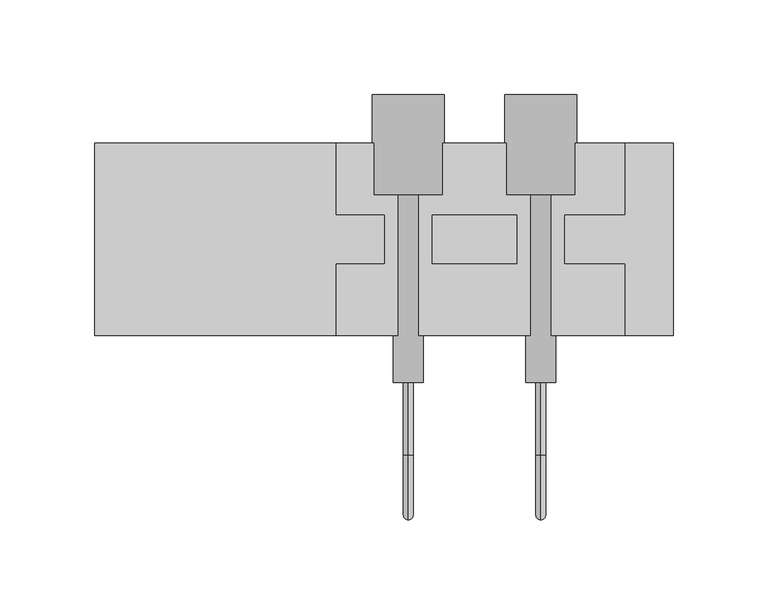
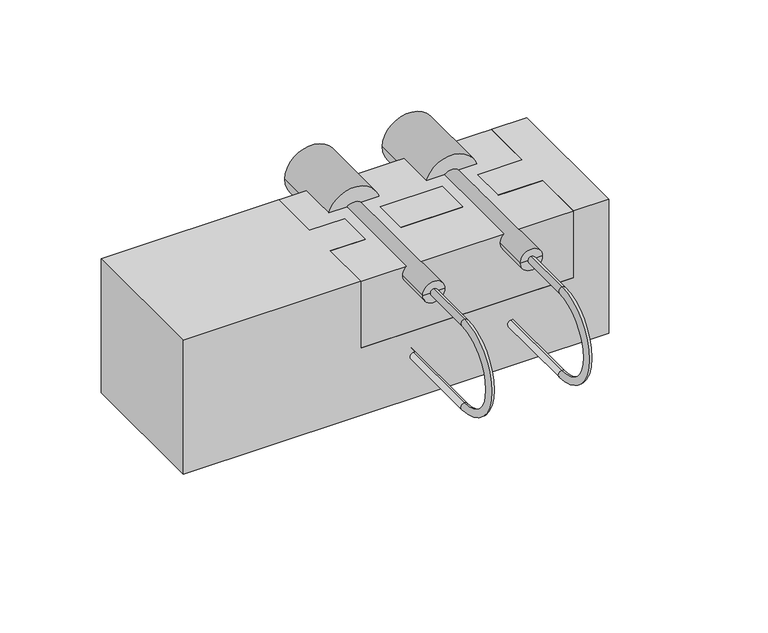
"""IFC4 building model written with IfcOpenShell, lengths in millimetres: proxy geometry."""

from ifc_helpers import new_model, si_unit, point, frame, origin, origin_with_axes, place, context, project, spatial, polyline, circle_curve, ellipse_curve, trimmed, outline, extrude, source, transform, mapped, element, save
from ifc_brep_helpers import plane_surface, cylinder_surface, revolved_surface, advanced_brep


def specialty_equipment_c677bdb2(model_context):
    return source(origin(), model_context, "Body", "SolidModel", [
        advanced_brep(
        [(12.7737194, 127.0, 95.25), (31.8237194, 127.0, 95.25), (-6.2762806, 127.0, 95.25), (4.8466964, -24.7249832, 95.25), (20.7007425, -24.7249832, 95.25), (15.3952666, -24.7249832, 95.25), (12.7737194, -24.7249832, 92.6284528), (10.1521722, -24.7249832, 95.25), (12.7737194, -24.7249832, 97.8715472), (4.8466964, 74.2600179, 95.25), (20.7007425, 74.2600179, 95.25), (-6.2762806, 74.2600179, 95.25), (31.8237194, 74.2600179, 95.25), (12.7737194, -62.8249832, 97.8715472), (12.7737194, -62.8249832, 92.6284528), (12.7737194, -62.8249832, 29.1284528), (12.7737194, -62.8249832, 34.3715472), (12.7737194, 6.35, 29.1284528), (12.7737194, 6.35, 34.3715472)],
        [
            (0, 1),
            (1, 2, circle_curve(frame((12.7737194, 127.0, 95.25), z_axis=(0.0, 1.0, 0.0), x_axis=(1.0, 0.0, 0.0)), 19.05)),
            (2, 0),
            (2, 1, circle_curve(frame((12.7737194, 127.0, 95.25), z_axis=(0.0, 1.0, 0.0), x_axis=(1.0, 0.0, 0.0)), 19.05)),
            (3, 4, circle_curve(frame((12.7737194, -24.7249832, 95.25), z_axis=(0.0, -1.0, 0.0), x_axis=(1.0, 0.0, 0.0)), 7.927023)),
            (4, 5),
            (5, 6, circle_curve(frame((12.7737194, -24.7249832, 95.25), z_axis=(0.0, 1.0, 0.0), x_axis=(0.0, 0.0, -1.0)), 2.6215472)),
            (6, 7, circle_curve(frame((12.7737194, -24.7249832, 95.25), z_axis=(0.0, 1.0, 0.0), x_axis=(0.0, 0.0, -1.0)), 2.6215472)),
            (7, 3),
            (4, 3, circle_curve(frame((12.7737194, -24.7249832, 95.25), z_axis=(0.0, -1.0, 0.0), x_axis=(1.0, 0.0, 0.0)), 7.927023)),
            (7, 8, circle_curve(frame((12.7737194, -24.7249832, 95.25), z_axis=(0.0, 1.0, 0.0), x_axis=(0.0, 0.0, -1.0)), 2.6215472)),
            (8, 5, circle_curve(frame((12.7737194, -24.7249832, 95.25), z_axis=(0.0, 1.0, 0.0), x_axis=(0.0, 0.0, -1.0)), 2.6215472)),
            (3, 9),
            (9, 10, circle_curve(frame((12.7737194, 74.2600179, 95.25), z_axis=(0.0, -1.0, 0.0), x_axis=(1.0, 0.0, 0.0)), 7.927023)),
            (10, 4),
            (10, 9, circle_curve(frame((12.7737194, 74.2600179, 95.25), z_axis=(0.0, -1.0, 0.0), x_axis=(1.0, 0.0, 0.0)), 7.927023)),
            (9, 11),
            (11, 12, circle_curve(frame((12.7737194, 74.2600179, 95.25), z_axis=(0.0, -1.0, 0.0), x_axis=(1.0, 0.0, 0.0)), 19.05)),
            (12, 10),
            (12, 11, circle_curve(frame((12.7737194, 74.2600179, 95.25), z_axis=(0.0, -1.0, 0.0), x_axis=(1.0, 0.0, 0.0)), 19.05)),
            (1, 12),
            (11, 2),
            (8, 13),
            (13, 14, circle_curve(frame((12.7737194, -62.8249832, 95.25), z_axis=(0.0, 1.0, 0.0), x_axis=(0.0, 0.0, -1.0)), 2.6215472)),
            (14, 6),
            (14, 13, circle_curve(frame((12.7737194, -62.8249832, 95.25), z_axis=(0.0, 1.0, 0.0), x_axis=(0.0, 0.0, -1.0)), 2.6215472)),
            (13, 15, circle_curve(frame((12.7737194, -62.8249832, 63.5), z_axis=(1.0, 0.0, 0.0), x_axis=(0.0, 0.0, 1.0)), 34.3715472)),
            (15, 16, circle_curve(frame((12.7737194, -62.8249832, 31.75), z_axis=(0.0, -1.0, 0.0), x_axis=(0.0, 0.0, 1.0)), 2.6215472)),
            (16, 14, circle_curve(frame((12.7737194, -62.8249832, 63.5), z_axis=(-1.0, 0.0, 0.0), x_axis=(0.0, 0.0, 1.0)), 29.1284528)),
            (16, 15, circle_curve(frame((12.7737194, -62.8249832, 31.75), z_axis=(0.0, -1.0, 0.0), x_axis=(0.0, 0.0, 1.0)), 2.6215472)),
            (17, 18, circle_curve(frame((12.7737194, 6.35, 31.75), z_axis=(0.0, 1.0, 0.0), x_axis=(0.0, 0.0, 1.0)), 2.6215472)),
            (18, 17, circle_curve(frame((12.7737194, 6.35, 31.75), z_axis=(0.0, 1.0, 0.0), x_axis=(0.0, 0.0, 1.0)), 2.6215472)),
            (15, 17),
            (18, 16),
        ],
        [
            plane_surface(frame((12.7737194, 127.0, 95.25), z_axis=(0.0, 1.0, 0.0), x_axis=(1.0, 0.0, 0.0))),
            plane_surface(frame((12.7737194, -24.7249832, 95.25), z_axis=(0.0, -1.0, 0.0), x_axis=(1.0, 0.0, 0.0))),
            cylinder_surface(frame((12.7737194, 44.45, 95.25), z_axis=(0.0, 1.0, 0.0), x_axis=(1.0, 0.0, 0.0)), 7.927023),
            plane_surface(frame((12.7737194, 74.2600179, 95.25), z_axis=(0.0, -1.0, 0.0), x_axis=(1.0, 0.0, 0.0))),
            cylinder_surface(frame((12.7737194, 44.45, 95.25), z_axis=(0.0, 1.0, 0.0), x_axis=(1.0, 0.0, 0.0)), 19.05),
            cylinder_surface(frame((12.7737194, -24.7249832, 95.25), z_axis=(0.0, 1.0, 0.0), x_axis=(0.0, 0.0, -1.0)), 2.6215472),
            revolved_surface(trimmed(ellipse_curve(frame((12.7737194, -62.8249832, 95.25), z_axis=(0.0, 1.0, 0.0), x_axis=(0.0, 0.0, -1.0)), 2.6215472, 2.6215472), [point((12.7737194, -62.8249832, 97.8715472))], [point((12.7737194, -62.8249832, 92.6284528))], True, "CARTESIAN"), (-177.7262806, -62.8249832, 63.5), (1.0, 0.0, 0.0)),
            revolved_surface(trimmed(ellipse_curve(frame((12.7737194, -62.8249832, 95.25), z_axis=(0.0, 1.0, 0.0), x_axis=(0.0, 0.0, -1.0)), 2.6215472, 2.6215472), [point((12.7737194, -62.8249832, 92.6284528))], [point((12.7737194, -62.8249832, 97.8715472))], True, "CARTESIAN"), (-177.7262806, -62.8249832, 63.5), (1.0, 0.0, 0.0)),
            plane_surface(frame((-177.7262806, 6.35, 31.75), z_axis=(0.0, 1.0, 0.0), x_axis=(1.0, 0.0, 0.0))),
            cylinder_surface(frame((12.7737194, -62.8249832, 31.75), z_axis=(0.0, -1.0, 0.0), x_axis=(0.0, 0.0, 1.0)), 2.6215472),
        ],
        [
            (0, [[1, 2, 3]]),
            (0, [[-1, -3, 4]]),
            (1, [[5, 6, 7, 8, 9]]),
            (1, [[10, -9, 11, 12, -6]]),
            (2, [[-5, 13, 14, 15]]),
            (2, [[-10, -15, 16, -13]]),
            (3, [[-14, 17, 18, 19]]),
            (3, [[-16, -19, 20, -17]]),
            (4, [[-2, 21, -18, 22]]),
            (4, [[-4, -22, -20, -21]]),
            (5, [[23, 24, 25, -7, -12]]),
            (5, [[-23, -11, -8, -25, 26]]),
            (6, [[-24, 27, 28, 29]]),
            (7, [[-26, -29, 30, -27]]),
            (8, [[31, 32]]),
            (9, [[-28, 33, -32, 34]]),
            (9, [[-30, -34, -31, -33]]),
        ],
    ),
        advanced_brep(
        [(82.6237194, 127.0, 95.25), (101.6737194, 127.0, 95.25), (63.5737194, 127.0, 95.25), (74.6966964, -24.7249832, 95.25), (90.5507425, -24.7249832, 95.25), (85.2452666, -24.7249832, 95.25), (82.6237194, -24.7249832, 92.6284528), (80.0021722, -24.7249832, 95.25), (82.6237194, -24.7249832, 97.8715472), (74.6966964, 74.2600179, 95.25), (90.5507425, 74.2600179, 95.25), (63.5737194, 74.2600179, 95.25), (101.6737194, 74.2600179, 95.25), (82.6237194, -62.8249832, 97.8715472), (82.6237194, -62.8249832, 92.6284528), (82.6237194, -62.8249832, 29.1284528), (82.6237194, -62.8249832, 34.3715472), (82.6237194, 6.35, 29.1284528), (82.6237194, 6.35, 34.3715472)],
        [
            (0, 1),
            (1, 2, circle_curve(frame((82.6237194, 127.0, 95.25), z_axis=(0.0, 1.0, 0.0), x_axis=(1.0, 0.0, 0.0)), 19.05)),
            (2, 0),
            (2, 1, circle_curve(frame((82.6237194, 127.0, 95.25), z_axis=(0.0, 1.0, 0.0), x_axis=(1.0, 0.0, 0.0)), 19.05)),
            (3, 4, circle_curve(frame((82.6237194, -24.7249832, 95.25), z_axis=(0.0, -1.0, 0.0), x_axis=(1.0, 0.0, 0.0)), 7.927023)),
            (4, 5),
            (5, 6, circle_curve(frame((82.6237194, -24.7249832, 95.25), z_axis=(0.0, 1.0, 0.0), x_axis=(0.0, 0.0, -1.0)), 2.6215472)),
            (6, 7, circle_curve(frame((82.6237194, -24.7249832, 95.25), z_axis=(0.0, 1.0, 0.0), x_axis=(0.0, 0.0, -1.0)), 2.6215472)),
            (7, 3),
            (4, 3, circle_curve(frame((82.6237194, -24.7249832, 95.25), z_axis=(0.0, -1.0, 0.0), x_axis=(1.0, 0.0, 0.0)), 7.927023)),
            (7, 8, circle_curve(frame((82.6237194, -24.7249832, 95.25), z_axis=(0.0, 1.0, 0.0), x_axis=(0.0, 0.0, -1.0)), 2.6215472)),
            (8, 5, circle_curve(frame((82.6237194, -24.7249832, 95.25), z_axis=(0.0, 1.0, 0.0), x_axis=(0.0, 0.0, -1.0)), 2.6215472)),
            (3, 9),
            (9, 10, circle_curve(frame((82.6237194, 74.2600179, 95.25), z_axis=(0.0, -1.0, 0.0), x_axis=(1.0, 0.0, 0.0)), 7.927023)),
            (10, 4),
            (10, 9, circle_curve(frame((82.6237194, 74.2600179, 95.25), z_axis=(0.0, -1.0, 0.0), x_axis=(1.0, 0.0, 0.0)), 7.927023)),
            (9, 11),
            (11, 12, circle_curve(frame((82.6237194, 74.2600179, 95.25), z_axis=(0.0, -1.0, 0.0), x_axis=(1.0, 0.0, 0.0)), 19.05)),
            (12, 10),
            (12, 11, circle_curve(frame((82.6237194, 74.2600179, 95.25), z_axis=(0.0, -1.0, 0.0), x_axis=(1.0, 0.0, 0.0)), 19.05)),
            (1, 12),
            (11, 2),
            (8, 13),
            (13, 14, circle_curve(frame((82.6237194, -62.8249832, 95.25), z_axis=(0.0, 1.0, 0.0), x_axis=(0.0, 0.0, -1.0)), 2.6215472)),
            (14, 6),
            (14, 13, circle_curve(frame((82.6237194, -62.8249832, 95.25), z_axis=(0.0, 1.0, 0.0), x_axis=(0.0, 0.0, -1.0)), 2.6215472)),
            (13, 15, circle_curve(frame((82.6237194, -62.8249832, 63.5), z_axis=(1.0, 0.0, 0.0), x_axis=(0.0, 0.0, 1.0)), 34.3715472)),
            (15, 16, circle_curve(frame((82.6237194, -62.8249832, 31.75), z_axis=(0.0, -1.0, 0.0), x_axis=(0.0, 0.0, 1.0)), 2.6215472)),
            (16, 14, circle_curve(frame((82.6237194, -62.8249832, 63.5), z_axis=(-1.0, 0.0, 0.0), x_axis=(0.0, 0.0, 1.0)), 29.1284528)),
            (16, 15, circle_curve(frame((82.6237194, -62.8249832, 31.75), z_axis=(0.0, -1.0, 0.0), x_axis=(0.0, 0.0, 1.0)), 2.6215472)),
            (17, 18, circle_curve(frame((82.6237194, 6.35, 31.75), z_axis=(0.0, 1.0, 0.0), x_axis=(0.0, 0.0, 1.0)), 2.6215472)),
            (18, 17, circle_curve(frame((82.6237194, 6.35, 31.75), z_axis=(0.0, 1.0, 0.0), x_axis=(0.0, 0.0, 1.0)), 2.6215472)),
            (15, 17),
            (18, 16),
        ],
        [
            plane_surface(frame((82.6237194, 127.0, 95.25), z_axis=(0.0, 1.0, 0.0), x_axis=(1.0, 0.0, 0.0))),
            plane_surface(frame((82.6237194, -24.7249832, 95.25), z_axis=(0.0, -1.0, 0.0), x_axis=(1.0, 0.0, 0.0))),
            cylinder_surface(frame((82.6237194, 44.45, 95.25), z_axis=(0.0, 1.0, 0.0), x_axis=(1.0, 0.0, 0.0)), 7.927023),
            plane_surface(frame((82.6237194, 74.2600179, 95.25), z_axis=(0.0, -1.0, 0.0), x_axis=(1.0, 0.0, 0.0))),
            cylinder_surface(frame((82.6237194, 44.45, 95.25), z_axis=(0.0, 1.0, 0.0), x_axis=(1.0, 0.0, 0.0)), 19.05),
            cylinder_surface(frame((82.6237194, -24.7249832, 95.25), z_axis=(0.0, 1.0, 0.0), x_axis=(0.0, 0.0, -1.0)), 2.6215472),
            revolved_surface(trimmed(ellipse_curve(frame((82.6237194, -62.8249832, 95.25), z_axis=(0.0, 1.0, 0.0), x_axis=(0.0, 0.0, -1.0)), 2.6215472, 2.6215472), [point((82.6237194, -62.8249832, 97.8715472))], [point((82.6237194, -62.8249832, 92.6284528))], True, "CARTESIAN"), (-107.8762806, -62.8249832, 63.5), (1.0, 0.0, 0.0)),
            revolved_surface(trimmed(ellipse_curve(frame((82.6237194, -62.8249832, 95.25), z_axis=(0.0, 1.0, 0.0), x_axis=(0.0, 0.0, -1.0)), 2.6215472, 2.6215472), [point((82.6237194, -62.8249832, 92.6284528))], [point((82.6237194, -62.8249832, 97.8715472))], True, "CARTESIAN"), (-107.8762806, -62.8249832, 63.5), (1.0, 0.0, 0.0)),
            plane_surface(frame((-107.8762806, 6.35, 31.75), z_axis=(0.0, 1.0, 0.0), x_axis=(1.0, 0.0, 0.0))),
            cylinder_surface(frame((82.6237194, -62.8249832, 31.75), z_axis=(0.0, -1.0, 0.0), x_axis=(0.0, 0.0, 1.0)), 2.6215472),
        ],
        [
            (0, [[1, 2, 3]]),
            (0, [[-1, -3, 4]]),
            (1, [[5, 6, 7, 8, 9]]),
            (1, [[10, -9, 11, 12, -6]]),
            (2, [[-5, 13, 14, 15]]),
            (2, [[-10, -15, 16, -13]]),
            (3, [[-14, 17, 18, 19]]),
            (3, [[-16, -19, 20, -17]]),
            (4, [[-2, 21, -18, 22]]),
            (4, [[-4, -22, -20, -21]]),
            (5, [[23, 24, 25, -7, -12]]),
            (5, [[-23, -11, -8, -25, 26]]),
            (6, [[-24, 27, 28, 29]]),
            (7, [[-26, -29, 30, -27]]),
            (8, [[31, 32]]),
            (9, [[-28, 33, -32, 34]]),
            (9, [[-30, -34, -31, -33]]),
        ],
    ),
        advanced_brep(
        [(152.4, 101.6, 0.0), (-152.4, 101.6, 0.0), (-152.4, 101.6, 101.6), (-25.3262806, 101.6, 101.6), (-25.3262806, 101.6, 50.8), (127.0737194, 101.6, 50.8), (127.0737194, 101.6, 101.6), (152.4, 101.6, 101.6), (152.4, 0.0, 0.0), (152.4, 0.0, 101.6), (127.0737194, 0.0, 101.6), (127.0737194, 0.0, 50.8), (-25.3262806, 0.0, 50.8), (-25.3262806, 0.0, 101.6), (-152.4, 0.0, 101.6), (-152.4, 0.0, 0.0), (-25.3262806, 38.1, 101.6), (0.0737194, 38.1, 101.6), (0.0737194, 63.5, 101.6), (-25.3262806, 63.5, 101.6), (127.0737194, 63.5, 101.6), (95.3237194, 63.5, 101.6), (95.3237194, 38.1, 101.6), (127.0737194, 38.1, 101.6), (25.4737194, 38.1, 101.6), (69.9237194, 38.1, 101.6), (69.9237194, 63.5, 101.6), (25.4737194, 63.5, 101.6), (-25.3262806, 38.1, 50.8), (127.0737194, 38.1, 50.8), (95.3237194, 38.1, 82.55), (69.9237194, 38.1, 82.55), (25.4737194, 38.1, 82.55), (0.0737194, 38.1, 82.55), (127.0737194, 63.5, 50.8), (-25.3262806, 63.5, 50.8), (0.0737194, 63.5, 82.55), (25.4737194, 63.5, 82.55), (69.9237194, 63.5, 82.55), (95.3237194, 63.5, 82.55)],
        [
            (0, 1),
            (1, 2),
            (2, 3),
            (3, 4),
            (4, 5),
            (5, 6),
            (6, 7),
            (7, 0),
            (8, 9),
            (9, 10),
            (10, 11),
            (11, 12),
            (12, 13),
            (13, 14),
            (14, 15),
            (15, 8),
            (0, 8),
            (15, 1),
            (14, 2),
            (13, 16),
            (16, 17),
            (17, 18),
            (18, 19),
            (19, 3),
            (9, 7),
            (6, 20),
            (20, 21),
            (21, 22),
            (22, 23),
            (23, 10),
            (24, 25),
            (25, 26),
            (26, 27),
            (27, 24),
            (16, 28),
            (28, 29),
            (29, 23),
            (22, 30),
            (30, 31, circle_curve(frame((82.6237194, 38.1, 82.55), z_axis=(0.0, 1.0, 0.0), x_axis=(1.0, 0.0, 0.0)), 12.7)),
            (31, 25),
            (24, 32),
            (32, 33, circle_curve(frame((12.7737194, 38.1, 82.55), z_axis=(0.0, 1.0, 0.0), x_axis=(1.0, 0.0, 0.0)), 12.7)),
            (33, 17),
            (29, 11),
            (28, 12),
            (20, 34),
            (34, 35),
            (35, 19),
            (18, 36),
            (36, 37, circle_curve(frame((12.7737194, 63.5, 82.55), z_axis=(0.0, -1.0, 0.0), x_axis=(1.0, 0.0, 0.0)), 12.7)),
            (37, 27),
            (26, 38),
            (38, 39, circle_curve(frame((82.6237194, 63.5, 82.55), z_axis=(0.0, -1.0, 0.0), x_axis=(1.0, 0.0, 0.0)), 12.7)),
            (39, 21),
            (5, 34),
            (4, 35),
            (33, 36),
            (37, 32),
            (31, 38),
            (39, 30),
        ],
        [
            plane_surface(frame((-152.4, 101.6, 0.0), z_axis=(0.0, 1.0, 0.0), x_axis=(-1.0, 0.0, 0.0))),
            plane_surface(frame((-152.4, 0.0, 0.0), z_axis=(0.0, -1.0, 0.0), x_axis=(1.0, 0.0, 0.0))),
            plane_surface(frame((152.4, 101.6, 0.0), z_axis=(0.0, 0.0, -1.0), x_axis=(0.0, -1.0, 0.0))),
            plane_surface(frame((-152.4, 101.6, 0.0), z_axis=(-1.0, 0.0, 0.0), x_axis=(0.0, -1.0, 0.0))),
            plane_surface(frame((-152.4, 101.6, 101.6), z_axis=(0.0, 0.0, 1.0), x_axis=(0.0, -1.0, 0.0))),
            plane_surface(frame((152.4, 101.6, 101.6), z_axis=(1.0, 0.0, 0.0), x_axis=(0.0, -1.0, 0.0))),
            plane_surface(frame((127.0737194, 38.1, 101.6), z_axis=(0.0, -1.0, 0.0), x_axis=(0.0, 0.0, -1.0))),
            plane_surface(frame((127.0737194, 38.1, 101.6), z_axis=(-1.0, 0.0, 0.0), x_axis=(0.0, -1.0, 0.0))),
            plane_surface(frame((127.0737194, 38.1, 50.8), z_axis=(0.0, 0.0, 1.0), x_axis=(0.0, -1.0, 0.0))),
            plane_surface(frame((-25.3262806, 38.1, 50.8), z_axis=(1.0, 0.0, 0.0), x_axis=(0.0, -1.0, 0.0))),
            plane_surface(frame((127.0737194, 63.5, 101.6), z_axis=(0.0, 1.0, 0.0), x_axis=(0.0, 0.0, 1.0))),
            plane_surface(frame((127.0737194, 101.6, 101.6), z_axis=(-1.0, 0.0, 0.0), x_axis=(0.0, -1.0, 0.0))),
            plane_surface(frame((127.0737194, 101.6, 50.8), z_axis=(0.0, 0.0, 1.0), x_axis=(0.0, -1.0, 0.0))),
            plane_surface(frame((-25.3262806, 101.6, 50.8), z_axis=(1.0, 0.0, 0.0), x_axis=(0.0, -1.0, 0.0))),
            plane_surface(frame((0.0737194, 63.5, 82.55), z_axis=(1.0, 0.0, 0.0), x_axis=(0.0, -1.0, 0.0))),
            plane_surface(frame((25.4737194, 63.5, 101.6), z_axis=(-1.0, 0.0, 0.0), x_axis=(0.0, -1.0, 0.0))),
            revolved_surface(polyline([(25.4737194, 63.5, 82.55), (25.4737194, 38.1, 82.55)]), (12.7737194, 38.1, 82.55), (0.0, 1.0, 0.0)),
            plane_surface(frame((69.9237194, 63.5, 82.55), z_axis=(1.0, 0.0, 0.0), x_axis=(0.0, -1.0, 0.0))),
            plane_surface(frame((95.3237194, 63.5, 101.6), z_axis=(-1.0, 0.0, 0.0), x_axis=(0.0, -1.0, 0.0))),
            revolved_surface(polyline([(95.3237194, 63.5, 82.55), (95.3237194, 38.099999999999994, 82.55)]), (82.6237194, 152.4, 82.55), (0.0, 1.0, 0.0)),
        ],
        [
            (0, [[1, 2, 3, 4, 5, 6, 7, 8]]),
            (1, [[9, 10, 11, 12, 13, 14, 15, 16]]),
            (2, [[-1, 17, -16, 18]]),
            (3, [[-2, -18, -15, 19]]),
            (4, [[-19, -14, 20, 21, 22, 23, 24, -3]]),
            (4, [[25, -7, 26, 27, 28, 29, 30, -10]]),
            (4, [[31, 32, 33, 34]]),
            (5, [[-8, -25, -9, -17]]),
            (6, [[35, 36, 37, -29, 38, 39, 40, -31, 41, 42, 43, -21]]),
            (7, [[-37, 44, -11, -30]]),
            (8, [[-36, 45, -12, -44]]),
            (9, [[-35, -20, -13, -45]]),
            (10, [[46, 47, 48, -23, 49, 50, 51, -33, 52, 53, 54, -27]]),
            (11, [[-46, -26, -6, 55]]),
            (12, [[-47, -55, -5, 56]]),
            (13, [[-48, -56, -4, -24]]),
            (14, [[57, -49, -22, -43]]),
            (15, [[58, -41, -34, -51]]),
            (16, [[-57, -42, -58, -50]]),
            (17, [[59, -52, -32, -40]]),
            (18, [[60, -38, -28, -54]]),
            (19, [[-59, -39, -60, -53]]),
        ],
    ),
        extrude(outline(polyline([(152.4, 101.6), (152.4, 0.0), (-152.4, 0.0), (-152.4, 101.6), (152.4, 101.6)])), origin_with_axes(), (0.0, 0.0, 1.0), 101.6),
    ])


if __name__ == "__main__":
    model = new_model("IFC4")
    model_context = context("Model", 3, world=origin())
    ifc_project = project(units=[si_unit("LENGTHUNIT", "METRE", prefix="MILLI")], contexts=[model_context])
    site = spatial("IfcSite", under=ifc_project)
    building = spatial("IfcBuilding", under=site)
    placement = place(None, origin())
    specialty_equipment_shape = specialty_equipment_c677bdb2(model_context)
    element("IfcBuildingElementProxy", 1, Name="Specialty Equipment", at=placement, inside=building, context=model_context, shape_type="MappedRepresentation", body=[
        mapped(specialty_equipment_shape, transform((0.0, 0.0, 0.0), x_axis=(1.0, 0.0, 0.0), y_axis=(0.0, 1.0, 0.0), z_axis=(0.0, 0.0, 1.0))),
    ])
    save(model, "model.ifc")
